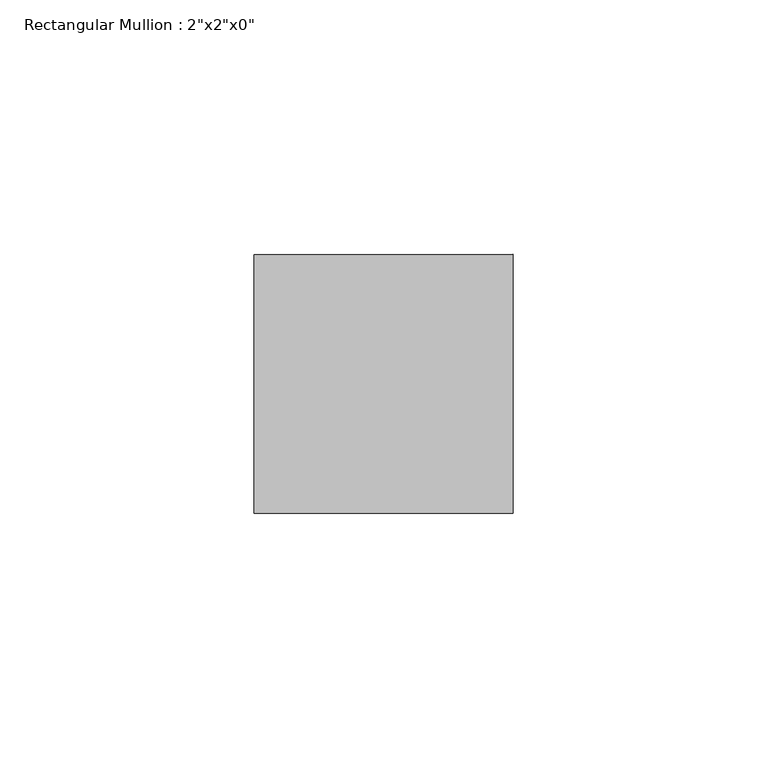
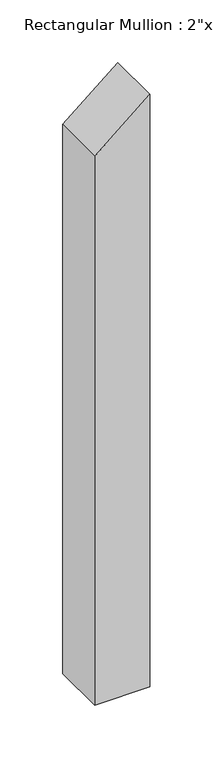
"""IFC4 building model written with IfcOpenShell, lengths in millimetres: member geometry."""

from ifc_helpers import new_model, si_unit, frame, origin, place, context, project, spatial, polyline, outline, extrude, source, transform, mapped, element, save


def member_406e6cce(model_context):
    return source(origin(), model_context, "Body", "SweptSolid", [
        extrude(outline(polyline([(-33.0425367, 0.0), (-75.3106916, -50.8), (-609.6, -50.8), (-609.6, 0.0), (-33.0425367, 0.0)])), frame((0.0, -25.4, 0.0), z_axis=(0.0, 1.0, 0.0), x_axis=(0.0, 0.0, 1.0)), (0.0, 0.0, 1.0), 50.8),
    ])


if __name__ == "__main__":
    model = new_model("IFC4")
    model_context = context("Model", 3, world=origin())
    ifc_project = project(units=[si_unit("LENGTHUNIT", "METRE", prefix="MILLI")], contexts=[model_context])
    site = spatial("IfcSite", under=ifc_project)
    building = spatial("IfcBuilding", under=site)
    placement = place(None, origin())
    member_shape = member_406e6cce(model_context)
    element("IfcMember", 1, ObjectType="Rectangular Mullion : 2\"x2\"x0\"", at=placement, inside=building, context=model_context, shape_type="MappedRepresentation", body=[
        mapped(member_shape, transform((0.0, 0.0, 0.0), x_axis=(1.0, 0.0, 0.0), y_axis=(0.0, 1.0, 0.0), z_axis=(0.0, 0.0, 1.0))),
    ])
    save(model, "model.ifc")
